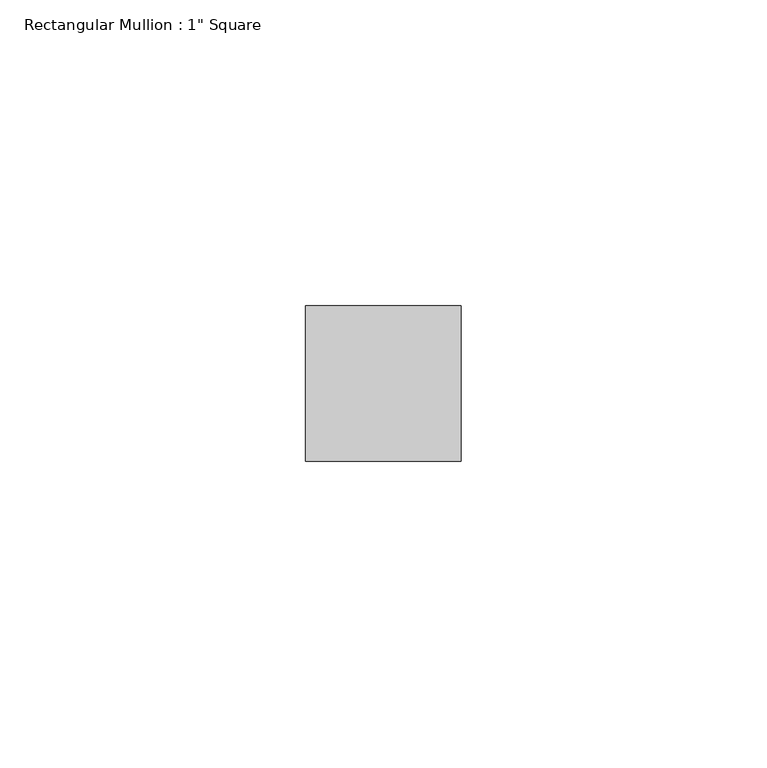
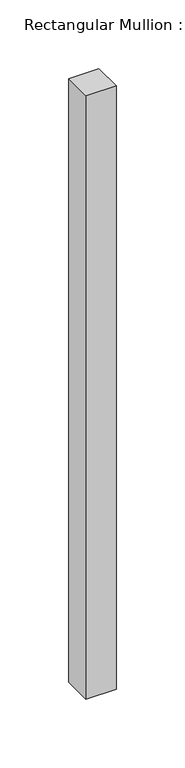
"""IFC4 building model written with IfcOpenShell, lengths in millimetres: member geometry."""

from ifc_helpers import new_model, si_unit, frame, origin, place, context, project, spatial, polyline, outline, extrude, source, transform, mapped, element, save


def member_6fdecdb3(model_context):
    return source(origin(), model_context, "Body", "SweptSolid", [
        extrude(outline(polyline([(0.0, 12.7), (0.0, -12.7), (-25.4, -12.7), (-25.4, 12.7), (0.0, 12.7)])), frame((0.0, 0.0, -537.6116607), z_axis=(0.0, 0.0, 1.0), x_axis=(1.0, 0.0, 0.0)), (0.0, 0.0, 1.0), 537.6116607),
    ])


if __name__ == "__main__":
    model = new_model("IFC4")
    model_context = context("Model", 3, world=origin())
    ifc_project = project(units=[si_unit("LENGTHUNIT", "METRE", prefix="MILLI")], contexts=[model_context])
    site = spatial("IfcSite", under=ifc_project)
    building = spatial("IfcBuilding", under=site)
    placement = place(None, origin())
    member_shape = member_6fdecdb3(model_context)
    element("IfcMember", 1, ObjectType="Rectangular Mullion : 1\" Square", at=placement, inside=building, context=model_context, shape_type="MappedRepresentation", body=[
        mapped(member_shape, transform((0.0, 0.0, 0.0), x_axis=(1.0, 0.0, 0.0), y_axis=(0.0, 1.0, 0.0), z_axis=(0.0, 0.0, 1.0))),
    ])
    save(model, "model.ifc")
